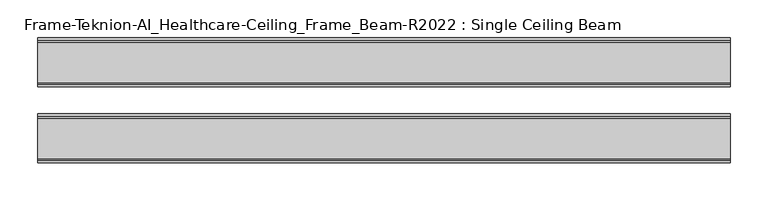
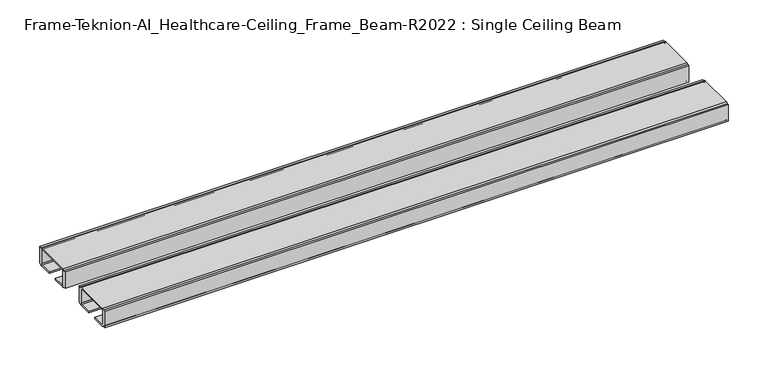
"""IFC4 building model written with IfcOpenShell, lengths in millimetres: furniture geometry, Frame-Teknion-AI_Healthcare-Ceiling_Frame_Beam-R2022 : Single Ceiling Beam."""

from ifc_helpers import new_model, si_unit, point, frame, frame_2d, origin, place, context, project, spatial, polyline, circle_curve, trimmed, segment, composite_curve, outline, extrude, source, transform, mapped, element, save


def frame_teknion_ai_healthcare_ceiling_frame_beam_r2022_single_c4decf54(model_context):
    return source(origin(), model_context, "Body", "SweptSolid", [
        extrude(outline(composite_curve([segment(polyline([(-82.1812471, 1573.5046), (-82.1812471, 1598.9045998), (-79.0062502, 1598.9045998), (-79.0062502, 1597.787)]), True, "CONTINUOUS"), segment(trimmed(circle_curve(frame_2d((-76.5932502, 1597.787)), 2.413), [point((-79.0062502, 1597.787))], [point((-76.5932502, 1600.2))], False, "CARTESIAN"), True, "CONTINUOUS"), segment(polyline([(-76.5932502, 1600.2), (-23.4192521, 1600.2)]), True, "CONTINUOUS"), segment(trimmed(circle_curve(frame_2d((-23.4192521, 1597.787)), 2.413), [point((-23.4192521, 1600.2))], [point((-21.0062521, 1597.787))], False, "CARTESIAN"), True, "CONTINUOUS"), segment(polyline([(-21.0062521, 1597.787), (-21.0062521, 1598.9045998), (-17.8312551, 1598.9045998), (-17.8312551, 1573.5046), (-21.0062521, 1573.5046), (-21.0062521, 1574.6129989)]), True, "CONTINUOUS"), segment(trimmed(circle_curve(frame_2d((-23.4192521, 1574.6129989)), 2.413), [point((-21.0062521, 1574.6129989))], [point((-23.4192521, 1572.199999))], False, "CARTESIAN"), True, "CONTINUOUS"), segment(polyline([(-23.4192521, 1572.199999), (-42.0687564, 1572.199999), (-42.0687564, 1574.4859991), (-24.562251, 1574.4859991)]), True, "CONTINUOUS"), segment(trimmed(circle_curve(frame_2d((-24.562251, 1576.0099999)), 1.5240008), [point((-24.562251, 1574.4859991))], [point((-23.0382502, 1576.0099999))], True, "CARTESIAN"), True, "CONTINUOUS"), segment(polyline([(-23.0382502, 1576.0099999), (-23.0382502, 1597.1520009)]), True, "CONTINUOUS"), segment(trimmed(circle_curve(frame_2d((-24.0542492, 1597.1520009)), 1.015999), [point((-23.0382502, 1597.1520009))], [point((-24.0542492, 1598.168))], True, "CARTESIAN"), True, "CONTINUOUS"), segment(polyline([(-24.0542492, 1598.168), (-75.9582531, 1598.168)]), True, "CONTINUOUS"), segment(trimmed(circle_curve(frame_2d((-75.9582531, 1597.1520009)), 1.015999), [point((-75.9582531, 1598.168))], [point((-76.9742521, 1597.1520009))], True, "CARTESIAN"), True, "CONTINUOUS"), segment(polyline([(-76.9742521, 1597.1520009), (-76.9742521, 1576.0099999)]), True, "CONTINUOUS"), segment(trimmed(circle_curve(frame_2d((-75.4502513, 1576.0099999)), 1.5240008), [point((-76.9742521, 1576.0099999))], [point((-75.4502513, 1574.4859991))], True, "CARTESIAN"), True, "CONTINUOUS"), segment(polyline([(-75.4502513, 1574.4859991), (-57.9437458, 1574.4859991), (-57.9437458, 1572.199999), (-76.5932502, 1572.199999)]), True, "CONTINUOUS"), segment(trimmed(circle_curve(frame_2d((-76.5932502, 1574.6129989)), 2.413), [point((-76.5932502, 1572.199999))], [point((-79.0062502, 1574.6129989))], False, "CARTESIAN"), True, "CONTINUOUS"), segment(polyline([(-79.0062502, 1574.6129989), (-79.0062502, 1573.5046), (-82.1812471, 1573.5046)]), True, "CONTINUOUS")], self_intersect=False)), frame((-455.3204, 0.0, 0.0), z_axis=(1.0, 0.0, 0.0), x_axis=(0.0, 1.0, 0.0)), (0.0, 0.0, 1.0), 910.6408),
        extrude(outline(composite_curve([segment(polyline([(1573.5046, 82.1812471), (1598.9045998, 82.1812471), (1598.9045998, 79.0062456), (1597.787, 79.0062456)]), True, "CONTINUOUS"), segment(trimmed(circle_curve(frame_2d((1597.787, 76.5932457)), 2.413), [point((1597.787, 79.0062456))], [point((1600.2, 76.5932457))], False, "CARTESIAN"), True, "CONTINUOUS"), segment(polyline([(1600.2, 76.5932457), (1600.2, 23.4192475)]), True, "CONTINUOUS"), segment(trimmed(circle_curve(frame_2d((1597.787, 23.4192475)), 2.413), [point((1600.2, 23.4192475))], [point((1597.787, 21.0062476))], False, "CARTESIAN"), True, "CONTINUOUS"), segment(polyline([(1597.787, 21.0062476), (1598.9045998, 21.0062476), (1598.9045998, 17.8312506), (1573.5046, 17.8312506), (1573.5046, 21.0062476), (1574.6129989, 21.0062476)]), True, "CONTINUOUS"), segment(trimmed(circle_curve(frame_2d((1574.6129989, 23.4192475)), 2.413), [point((1574.6129989, 21.0062476))], [point((1572.199999, 23.4192475))], False, "CARTESIAN"), True, "CONTINUOUS"), segment(polyline([(1572.199999, 23.4192475), (1572.199999, 42.0687519), (1574.4859991, 42.0687519), (1574.4859991, 24.5622464)]), True, "CONTINUOUS"), segment(trimmed(circle_curve(frame_2d((1576.0099999, 24.5622464)), 1.5240008), [point((1574.4859991, 24.5622464))], [point((1576.0099999, 23.0382456))], True, "CARTESIAN"), True, "CONTINUOUS"), segment(polyline([(1576.0099999, 23.0382456), (1597.1520009, 23.0382456)]), True, "CONTINUOUS"), segment(trimmed(circle_curve(frame_2d((1597.1520009, 24.0542446)), 1.015999), [point((1597.1520009, 23.0382456))], [point((1598.168, 24.0542446))], True, "CARTESIAN"), True, "CONTINUOUS"), segment(polyline([(1598.168, 24.0542446), (1598.168, 75.9582485)]), True, "CONTINUOUS"), segment(trimmed(circle_curve(frame_2d((1597.1520009, 75.9582485)), 1.015999), [point((1598.168, 75.9582485))], [point((1597.1520009, 76.9742476))], True, "CARTESIAN"), True, "CONTINUOUS"), segment(polyline([(1597.1520009, 76.9742476), (1576.0099999, 76.9742476)]), True, "CONTINUOUS"), segment(trimmed(circle_curve(frame_2d((1576.0099999, 75.4502468)), 1.5240008), [point((1576.0099999, 76.9742476))], [point((1574.4859991, 75.4502468))], True, "CARTESIAN"), True, "CONTINUOUS"), segment(polyline([(1574.4859991, 75.4502468), (1574.4859991, 57.9437413), (1572.199999, 57.9437413), (1572.199999, 76.5932457)]), True, "CONTINUOUS"), segment(trimmed(circle_curve(frame_2d((1574.6129989, 76.5932457)), 2.413), [point((1572.199999, 76.5932457))], [point((1574.6129989, 79.0062456))], False, "CARTESIAN"), True, "CONTINUOUS"), segment(polyline([(1574.6129989, 79.0062456), (1573.5046, 79.0062456), (1573.5046, 82.1812471)]), True, "CONTINUOUS")], self_intersect=False)), frame((455.3204, 0.0, 0.0), z_axis=(-1.0, 0.0, 0.0), x_axis=(0.0, 0.0, 1.0)), (0.0, 0.0, 1.0), 910.6408),
    ])


if __name__ == "__main__":
    model = new_model("IFC4")
    model_context = context("Model", 3, world=origin())
    ifc_project = project(units=[si_unit("LENGTHUNIT", "METRE", prefix="MILLI")], contexts=[model_context])
    site = spatial("IfcSite", under=ifc_project)
    building = spatial("IfcBuilding", under=site)
    placement = place(None, origin())
    frame_teknion_ai_healthcare_ceiling_frame_beam_r2022_single_shape = frame_teknion_ai_healthcare_ceiling_frame_beam_r2022_single_c4decf54(model_context)
    element("IfcFurniture", 1, ObjectType="Frame-Teknion-AI_Healthcare-Ceiling_Frame_Beam-R2022 : Single Ceiling Beam", at=placement, inside=building, context=model_context, shape_type="MappedRepresentation", body=[
        mapped(frame_teknion_ai_healthcare_ceiling_frame_beam_r2022_single_shape, transform((0.0, 0.0, 0.0), x_axis=(1.0, 0.0, 0.0), y_axis=(0.0, 1.0, 0.0), z_axis=(0.0, 0.0, 1.0))),
    ])
    save(model, "model.ifc")
